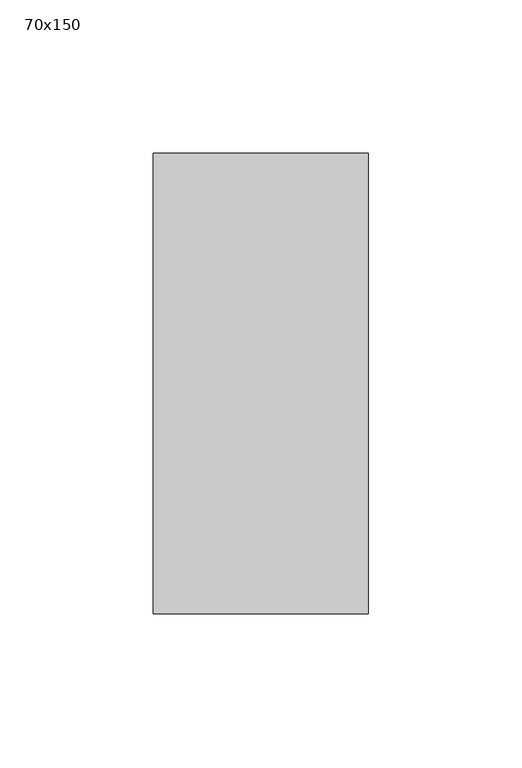
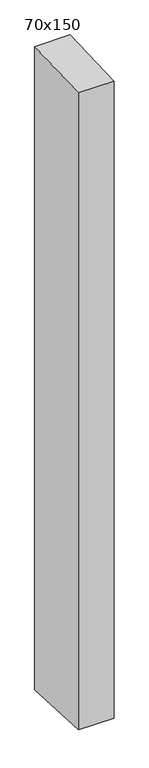
"""IFC4 building model written with IfcOpenShell, lengths in millimetres: member geometry, 70x150."""

from ifc_helpers import new_model, si_unit, frame, origin, place, context, project, spatial, polyline, outline, extrude, source, transform, mapped, element, save


def member_70x150_8d244115(model_context):
    return source(origin(), model_context, "Body", "SweptSolid", [
        extrude(outline(polyline([(-75.0, -2.8821383), (75.0, 2.8821383), (75.0, -1341.4385865), (-75.0, -1334.4178835), (-75.0, -2.8821383)])), frame((-70.0, 0.0, 0.0), z_axis=(1.0, 0.0, 0.0), x_axis=(0.0, 1.0, 0.0)), (0.0, 0.0, 1.0), 70.0),
    ])


if __name__ == "__main__":
    model = new_model("IFC4")
    model_context = context("Model", 3, world=origin())
    ifc_project = project(units=[si_unit("LENGTHUNIT", "METRE", prefix="MILLI")], contexts=[model_context])
    site = spatial("IfcSite", under=ifc_project)
    building = spatial("IfcBuilding", under=site)
    placement = place(None, origin())
    member_70x150_shape = member_70x150_8d244115(model_context)
    element("IfcMember", 1, ObjectType="70x150", at=placement, inside=building, context=model_context, shape_type="MappedRepresentation", body=[
        mapped(member_70x150_shape, transform((0.0, 0.0, 0.0), x_axis=(1.0, 0.0, 0.0), y_axis=(0.0, 1.0, 0.0), z_axis=(0.0, 0.0, 1.0))),
    ])
    save(model, "model.ifc")
